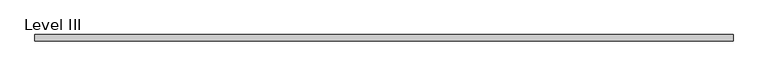
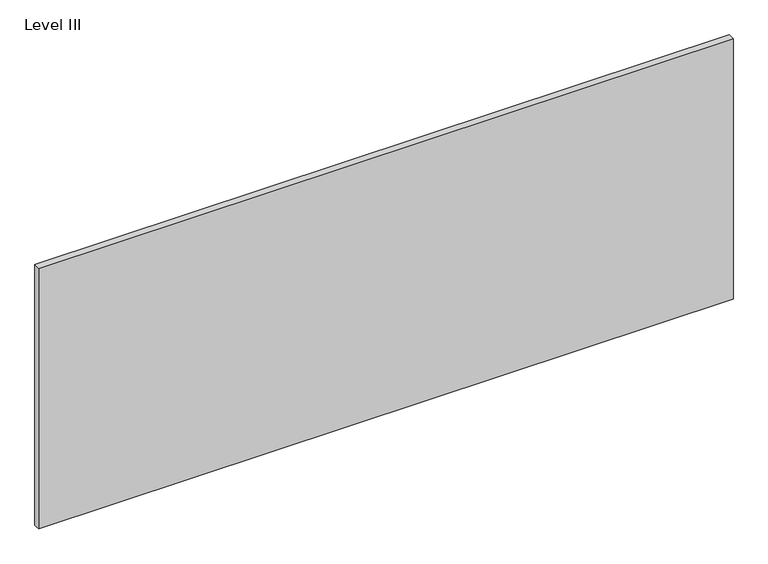
"""IFC4 building model written with IfcOpenShell, lengths in millimetres: proxy geometry, Level III."""

from ifc_helpers import new_model, si_unit, frame, origin, place, context, project, spatial, polyline, outline, extrude, source, transform, mapped, element, save


def level_iii_4951afc5(model_context):
    return source(origin(), model_context, "Body", "SweptSolid", [
        extrude(outline(polyline([(1012.8305563, 9.525), (1012.8305563, -9.525), (-1012.8305562, -9.525), (-1012.8305562, 9.525), (1012.8305563, 9.525)])), frame((0.0, 0.0, 3.175), z_axis=(0.0, 0.0, 1.0), x_axis=(1.0, 0.0, 0.0)), (0.0, 0.0, 1.0), 804.418),
    ])


if __name__ == "__main__":
    model = new_model("IFC4")
    model_context = context("Model", 3, world=origin())
    ifc_project = project(units=[si_unit("LENGTHUNIT", "METRE", prefix="MILLI")], contexts=[model_context])
    site = spatial("IfcSite", under=ifc_project)
    building = spatial("IfcBuilding", under=site)
    placement = place(None, origin())
    level_iii_shape = level_iii_4951afc5(model_context)
    element("IfcBuildingElementProxy", 1, Name="Level III", ObjectType="Level III", at=placement, inside=building, context=model_context, shape_type="MappedRepresentation", body=[
        mapped(level_iii_shape, transform((0.0, 0.0, 0.0), x_axis=(1.0, 0.0, 0.0), y_axis=(0.0, 1.0, 0.0), z_axis=(0.0, 0.0, 1.0))),
    ])
    save(model, "model.ifc")
